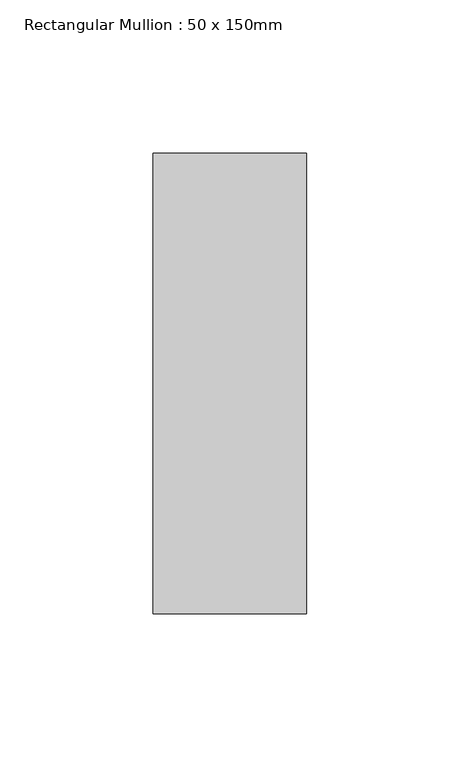
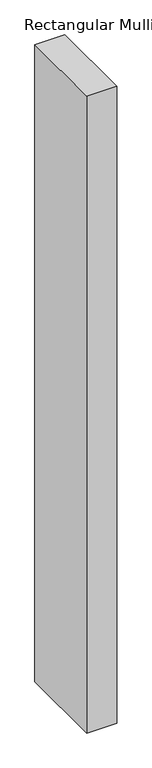
"""IFC4 building model written with IfcOpenShell, lengths in millimetres: member geometry, Rectangular Mullion : 50 x 150mm."""

from ifc_helpers import new_model, si_unit, frame, origin, place, context, project, spatial, polyline, outline, extrude, source, transform, mapped, element, save


def rectangular_mullion_50_x_150mm_28f5ec67(model_context):
    return source(origin(), model_context, "Body", "SweptSolid", [
        extrude(outline(polyline([(0.0, 75.0), (0.0, -75.0), (-50.0, -75.0), (-50.0, 75.0), (0.0, 75.0)])), frame((0.0, 0.0, -1123.1908304), z_axis=(0.0, 0.0, 1.0), x_axis=(1.0, 0.0, 0.0)), (0.0, 0.0, 1.0), 1123.1908304),
    ])


if __name__ == "__main__":
    model = new_model("IFC4")
    model_context = context("Model", 3, world=origin())
    ifc_project = project(units=[si_unit("LENGTHUNIT", "METRE", prefix="MILLI")], contexts=[model_context])
    site = spatial("IfcSite", under=ifc_project)
    building = spatial("IfcBuilding", under=site)
    placement = place(None, origin())
    rectangular_mullion_50_x_150mm_shape = rectangular_mullion_50_x_150mm_28f5ec67(model_context)
    element("IfcMember", 1, ObjectType="Rectangular Mullion : 50 x 150mm", at=placement, inside=building, context=model_context, shape_type="MappedRepresentation", body=[
        mapped(rectangular_mullion_50_x_150mm_shape, transform((0.0, 0.0, 0.0), x_axis=(1.0, 0.0, 0.0), y_axis=(0.0, 1.0, 0.0), z_axis=(0.0, 0.0, 1.0))),
    ])
    save(model, "model.ifc")
